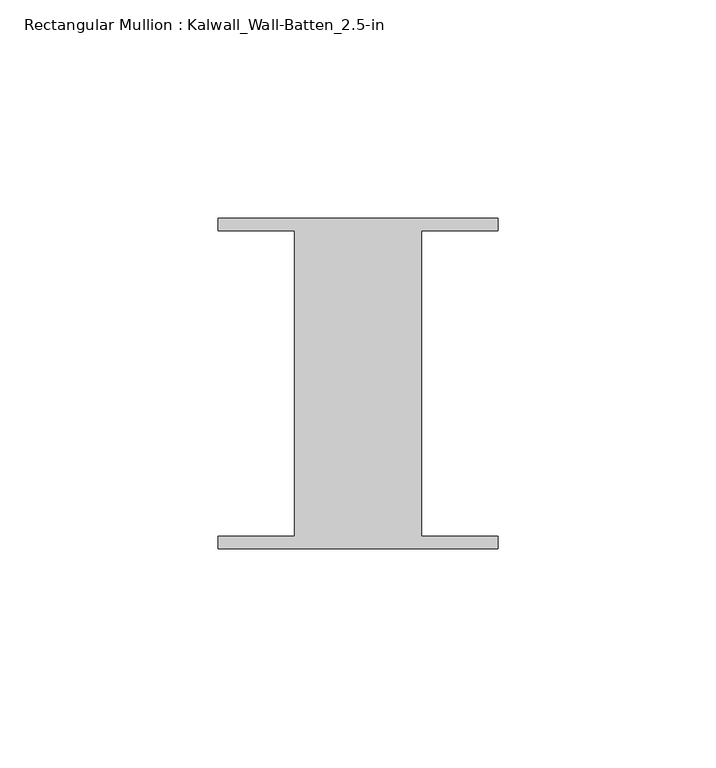
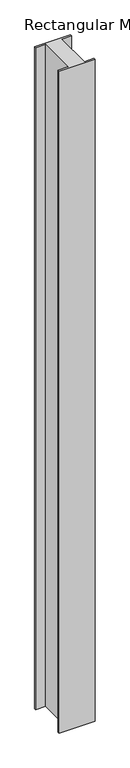
"""IFC4 building model written with IfcOpenShell, lengths in millimetres: member geometry, Rectangular Mullion : Kalwall_Wall-Batten_2.5-in."""

from ifc_helpers import new_model, si_unit, frame, origin, place, context, project, spatial, polyline, outline, extrude, source, transform, mapped, element, save


def rectangular_mullion_kalwall_wall_batten_2_5_in_9b54c5ce(model_context):
    return source(origin(), model_context, "Body", "SweptSolid", [
        extrude(outline(polyline([(-32.0, 36.524), (32.0, 36.524), (32.0, 33.73), (14.5, 33.73), (14.5, -36.27), (32.0, -36.27), (32.0, -39.064), (-32.0, -39.064), (-32.0, -36.27), (-14.5, -36.27), (-14.5, 33.73), (-32.0, 33.73), (-32.0, 36.524)])), frame((0.0, 0.0, -1248.156), z_axis=(0.0, 0.0, 1.0), x_axis=(1.0, 0.0, 0.0)), (0.0, 0.0, 1.0), 1248.156),
    ])


if __name__ == "__main__":
    model = new_model("IFC4")
    model_context = context("Model", 3, world=origin())
    ifc_project = project(units=[si_unit("LENGTHUNIT", "METRE", prefix="MILLI")], contexts=[model_context])
    site = spatial("IfcSite", under=ifc_project)
    building = spatial("IfcBuilding", under=site)
    placement = place(None, origin())
    rectangular_mullion_kalwall_wall_batten_2_5_in_shape = rectangular_mullion_kalwall_wall_batten_2_5_in_9b54c5ce(model_context)
    element("IfcMember", 1, ObjectType="Rectangular Mullion : Kalwall_Wall-Batten_2.5-in", at=placement, inside=building, context=model_context, shape_type="MappedRepresentation", body=[
        mapped(rectangular_mullion_kalwall_wall_batten_2_5_in_shape, transform((0.0, 0.0, 0.0), x_axis=(1.0, 0.0, 0.0), y_axis=(0.0, 1.0, 0.0), z_axis=(0.0, 0.0, 1.0))),
    ])
    save(model, "model.ifc")
